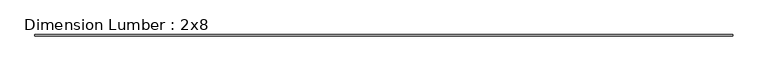
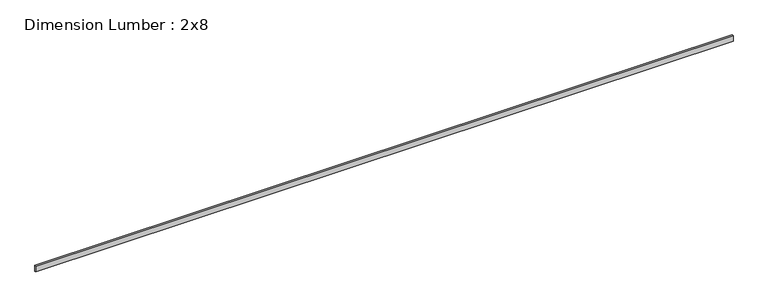
"""IFC4 building model written with IfcOpenShell, lengths in millimetres: beam geometry, Dimension Lumber : 2x8."""

from ifc_helpers import new_model, si_unit, frame, origin, place, context, project, spatial, polyline, outline, extrude, source, transform, mapped, element, save


def dimension_lumber_2x8_90a60417(model_context):
    return source(origin(), model_context, "Body", "SweptSolid", [
        extrude(outline(polyline([(10761.4797217, 19.05), (10761.4797217, -19.05), (-10761.4797217, -19.05), (-10761.4797217, 19.05), (10761.4797217, 19.05)])), frame((0.0, 0.0, -92.075), z_axis=(0.0, 0.0, 1.0), x_axis=(1.0, 0.0, 0.0)), (0.0, 0.0, 1.0), 184.15),
    ])


if __name__ == "__main__":
    model = new_model("IFC4")
    model_context = context("Model", 3, world=origin())
    ifc_project = project(units=[si_unit("LENGTHUNIT", "METRE", prefix="MILLI")], contexts=[model_context])
    site = spatial("IfcSite", under=ifc_project)
    building = spatial("IfcBuilding", under=site)
    placement = place(None, origin())
    dimension_lumber_2x8_shape = dimension_lumber_2x8_90a60417(model_context)
    element("IfcBeam", 1, ObjectType="Dimension Lumber : 2x8", at=placement, inside=building, context=model_context, shape_type="MappedRepresentation", body=[
        mapped(dimension_lumber_2x8_shape, transform((0.0, 0.0, 0.0), x_axis=(1.0, 0.0, 0.0), y_axis=(0.0, 1.0, 0.0), z_axis=(0.0, 0.0, 1.0))),
    ])
    save(model, "model.ifc")
